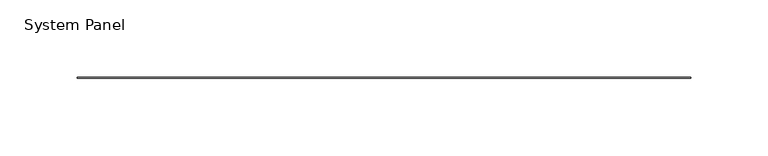
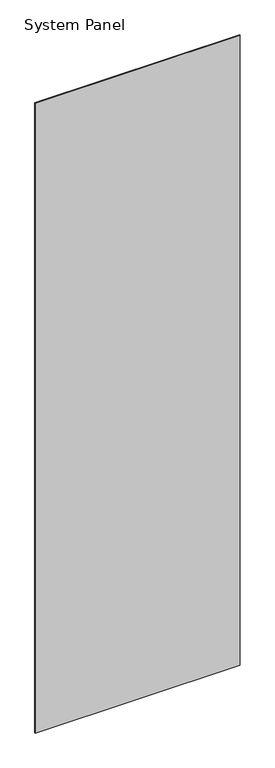
"""IFC4 building model written with IfcOpenShell, lengths in millimetres: plate geometry, System Panel."""

from ifc_helpers import new_model, si_unit, origin, origin_with_axes, place, context, project, spatial, polyline, outline, extrude, source, transform, mapped, element, save


def system_panel_94d5719f(model_context):
    return source(origin(), model_context, "Body", "SweptSolid", [
        extrude(outline(polyline([(198.1200002, -0.2480469), (-198.1200002, -0.2480469), (-198.1200002, 0.2480469), (198.1200002, 0.2480469), (198.1200002, -0.2480469)])), origin_with_axes(), (0.0, 0.0, 1.0), 1285.875),
    ])


if __name__ == "__main__":
    model = new_model("IFC4")
    model_context = context("Model", 3, world=origin())
    ifc_project = project(units=[si_unit("LENGTHUNIT", "METRE", prefix="MILLI")], contexts=[model_context])
    site = spatial("IfcSite", under=ifc_project)
    building = spatial("IfcBuilding", under=site)
    placement = place(None, origin())
    system_panel_shape = system_panel_94d5719f(model_context)
    element("IfcPlate", 1, ObjectType="System Panel", at=placement, inside=building, context=model_context, shape_type="MappedRepresentation", body=[
        mapped(system_panel_shape, transform((0.0, 0.0, 0.0), x_axis=(1.0, 0.0, 0.0), y_axis=(0.0, 1.0, 0.0), z_axis=(0.0, 0.0, 1.0))),
    ])
    save(model, "model.ifc")
